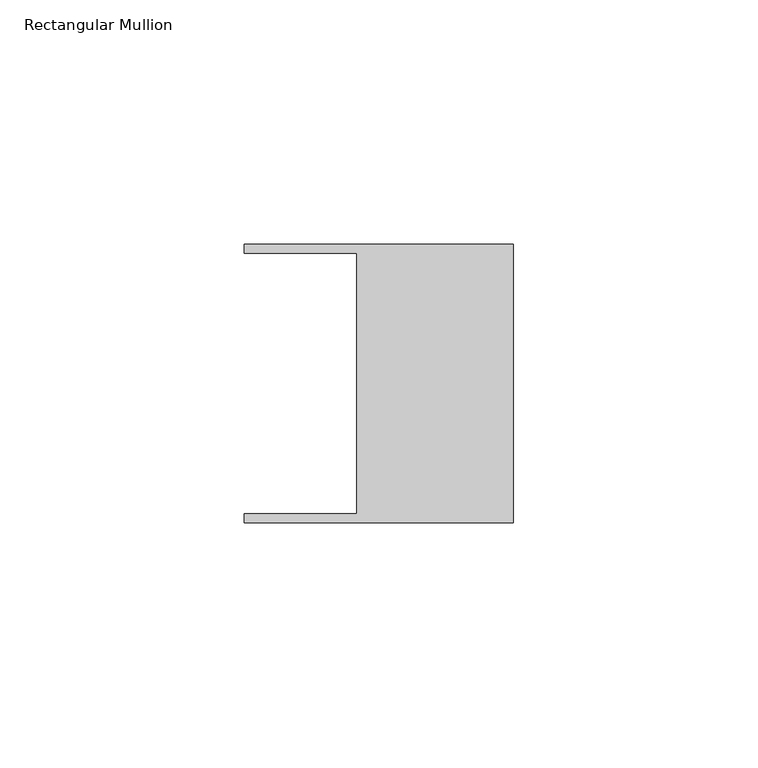
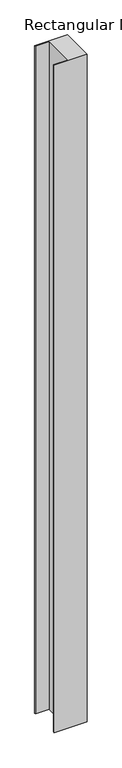
"""IFC4 building model written with IfcOpenShell, lengths in millimetres: member geometry, Rectangular Mullion."""

from ifc_helpers import new_model, si_unit, frame, origin, place, context, project, spatial, polyline, outline, extrude, source, transform, mapped, element, save


def rectangular_mullion_a989263d(model_context):
    return source(origin(), model_context, "Body", "SweptSolid", [
        extrude(outline(polyline([(-32.004, -26.67), (-32.004, 26.67), (-54.991, 26.67), (-54.991, 28.448), (0.0, 28.448), (0.0, -28.448), (-54.991, -28.448), (-54.991, -26.67), (-32.004, -26.67)])), frame((0.0, 0.0, -1185.8634395), z_axis=(0.0, 0.0, 1.0), x_axis=(1.0, 0.0, 0.0)), (0.0, 0.0, 1.0), 1185.8634395),
    ])


if __name__ == "__main__":
    model = new_model("IFC4")
    model_context = context("Model", 3, world=origin())
    ifc_project = project(units=[si_unit("LENGTHUNIT", "METRE", prefix="MILLI")], contexts=[model_context])
    site = spatial("IfcSite", under=ifc_project)
    building = spatial("IfcBuilding", under=site)
    placement = place(None, origin())
    rectangular_mullion_shape = rectangular_mullion_a989263d(model_context)
    element("IfcMember", 1, ObjectType="Rectangular Mullion", at=placement, inside=building, context=model_context, shape_type="MappedRepresentation", body=[
        mapped(rectangular_mullion_shape, transform((0.0, 0.0, 0.0), x_axis=(1.0, 0.0, 0.0), y_axis=(0.0, 1.0, 0.0), z_axis=(0.0, 0.0, 1.0))),
    ])
    save(model, "model.ifc")
